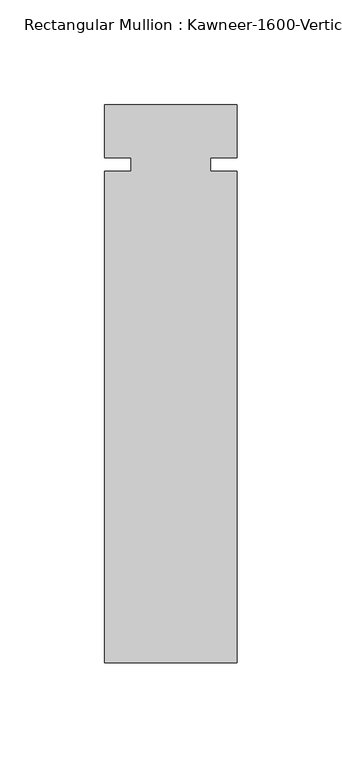
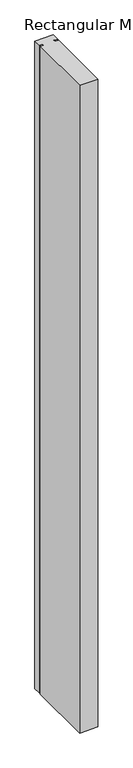
"""IFC4 building model written with IfcOpenShell, lengths in millimetres: member geometry."""

from ifc_helpers import new_model, si_unit, frame, origin, place, context, project, spatial, polyline, outline, extrude, source, transform, mapped, element, save


def member_f829d4d7(model_context):
    return source(origin(), model_context, "Body", "SweptSolid", [
        extrude(outline(polyline([(31.75, -238.125), (-31.75, -238.125), (-31.75, -3.175), (-19.05, -3.175), (-19.05, 3.175), (-31.75, 3.175), (-31.75, 28.575), (31.75, 28.575), (31.75, 3.175), (19.05, 3.175), (19.05, -3.175), (31.75, -3.175), (31.75, -238.125)])), frame((0.0, 0.0, -2362.2), z_axis=(0.0, 0.0, 1.0), x_axis=(1.0, 0.0, 0.0)), (0.0, 0.0, 1.0), 2362.2),
    ])


if __name__ == "__main__":
    model = new_model("IFC4")
    model_context = context("Model", 3, world=origin())
    ifc_project = project(units=[si_unit("LENGTHUNIT", "METRE", prefix="MILLI")], contexts=[model_context])
    site = spatial("IfcSite", under=ifc_project)
    building = spatial("IfcBuilding", under=site)
    placement = place(None, origin())
    member_shape = member_f829d4d7(model_context)
    element("IfcMember", 1, ObjectType="Rectangular Mullion : Kawneer-1600-Vertical_Interior-System1-10_1/2\"-1/4\"Infill", at=placement, inside=building, context=model_context, shape_type="MappedRepresentation", body=[
        mapped(member_shape, transform((0.0, 0.0, 0.0), x_axis=(1.0, 0.0, 0.0), y_axis=(0.0, 1.0, 0.0), z_axis=(0.0, 0.0, 1.0))),
    ])
    save(model, "model.ifc")
